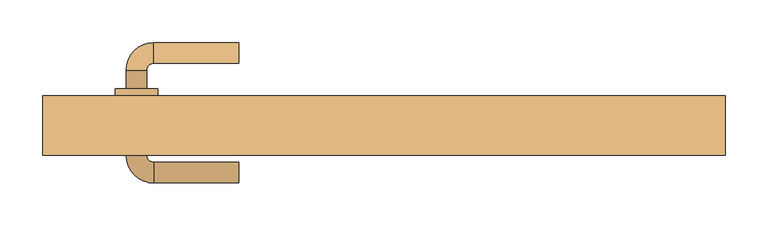
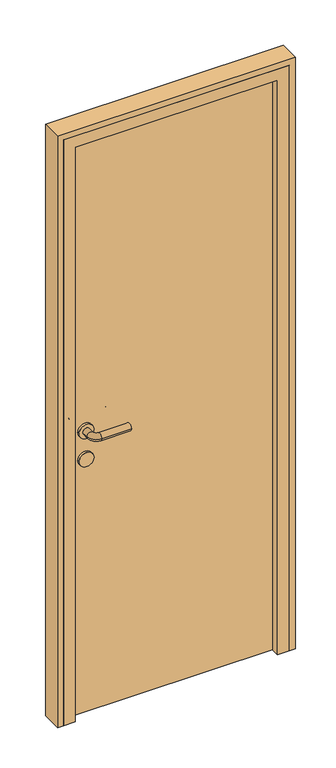
"""IFC4 building model written with IfcOpenShell, lengths in millimetres: door geometry."""

from ifc_helpers import new_model, si_unit, point, frame, frame_2d, origin, origin_with_axes, place, context, project, spatial, polyline, circle_curve, ellipse_curve, trimmed, segment, composite_curve, outline, extrude, faceted_brep, source, transform, mapped, element, save
from ifc_brep_helpers import plane_surface, cylinder_surface, revolved_surface, advanced_brep


def door_56626e30(model_context):
    return source(origin(), model_context, "Body", "SolidModel", [
        advanced_brep(
        [(-170.0, 187.0, 1000.0), (-170.0, 163.0, 1000.0), (-270.0, 187.0, 1000.0), (-270.0, 163.0, 1000.0), (-302.0, 155.0, 1000.0), (-278.0, 155.0, 1000.0), (-302.0, 133.0, 1000.0), (-278.0, 133.0, 1000.0), (-302.0, 55.0, 1000.0), (-278.0, 55.0, 1000.0), (-278.0, 77.0, 1000.0), (-302.0, 77.0, 1000.0), (-270.0, 23.0, 1000.0), (-270.0, 47.0, 1000.0), (-170.0, 23.0, 1000.0), (-170.0, 47.0, 1000.0), (-315.0, 133.0, 1000.0), (-265.0, 133.0, 1000.0), (-315.0, 77.0, 1000.0), (-265.0, 77.0, 1000.0)],
        [
            (0, 1, circle_curve(frame((-170.0, 175.0, 1000.0), z_axis=(1.0, 0.0, 0.0), x_axis=(0.0, -1.0, 0.0)), 12.0)),
            (1, 0, circle_curve(frame((-170.0, 175.0, 1000.0), z_axis=(1.0, 0.0, 0.0), x_axis=(0.0, -1.0, 0.0)), 12.0)),
            (0, 2),
            (2, 3, circle_curve(frame((-270.0, 175.0, 1000.0), z_axis=(1.0, 0.0, 0.0), x_axis=(0.0, -1.0, 0.0)), 12.0)),
            (3, 1),
            (3, 2, circle_curve(frame((-270.0, 175.0, 1000.0), z_axis=(1.0, 0.0, 0.0), x_axis=(0.0, -1.0, 0.0)), 12.0)),
            (2, 4, circle_curve(frame((-270.0, 155.0, 1000.0), z_axis=(0.0, 0.0, 1.0), x_axis=(0.0, 1.0, 0.0)), 32.0)),
            (4, 5, circle_curve(frame((-290.0, 155.0, 1000.0), z_axis=(0.0, 1.0, 0.0), x_axis=(1.0, 0.0, 0.0)), 12.0)),
            (5, 3, circle_curve(frame((-270.0, 155.0, 1000.0), z_axis=(0.0, 0.0, -1.0), x_axis=(0.0, 1.0, 0.0)), 8.0)),
            (5, 4, circle_curve(frame((-290.0, 155.0, 1000.0), z_axis=(0.0, 1.0, 0.0), x_axis=(1.0, 0.0, 0.0)), 12.0)),
            (4, 6),
            (6, 7, circle_curve(frame((-290.0, 133.0, 1000.0), z_axis=(0.0, 1.0, 0.0), x_axis=(1.0, 0.0, 0.0)), 12.0)),
            (7, 5),
            (8, 9, circle_curve(frame((-290.0, 55.0, 1000.0), z_axis=(0.0, 1.0, 0.0), x_axis=(1.0, 0.0, 0.0)), 12.0)),
            (9, 10),
            (10, 11, circle_curve(frame((-290.0, 77.0, 1000.0), z_axis=(0.0, -1.0, 0.0), x_axis=(1.0, 0.0, 0.0)), 12.0)),
            (11, 8),
            (7, 6, circle_curve(frame((-290.0, 133.0, 1000.0), z_axis=(0.0, 1.0, 0.0), x_axis=(1.0, 0.0, 0.0)), 12.0)),
            (9, 8, circle_curve(frame((-290.0, 55.0, 1000.0), z_axis=(0.0, 1.0, 0.0), x_axis=(1.0, 0.0, 0.0)), 12.0)),
            (11, 10, circle_curve(frame((-290.0, 77.0, 1000.0), z_axis=(0.0, -1.0, 0.0), x_axis=(1.0, 0.0, 0.0)), 12.0)),
            (8, 12, circle_curve(frame((-270.0, 55.0, 1000.0), z_axis=(0.0, 0.0, 1.0), x_axis=(-1.0, 0.0, 0.0)), 32.0)),
            (12, 13, circle_curve(frame((-270.0, 35.0, 1000.0), z_axis=(-1.0, 0.0, 0.0), x_axis=(0.0, 1.0, 0.0)), 12.0)),
            (13, 9, circle_curve(frame((-270.0, 55.0, 1000.0), z_axis=(0.0, 0.0, -1.0), x_axis=(-1.0, 0.0, 0.0)), 8.0)),
            (13, 12, circle_curve(frame((-270.0, 35.0, 1000.0), z_axis=(-1.0, 0.0, 0.0), x_axis=(0.0, 1.0, 0.0)), 12.0)),
            (14, 15, circle_curve(frame((-170.0, 35.0, 1000.0), z_axis=(1.0, 0.0, 0.0), x_axis=(0.0, 1.0, 0.0)), 12.0)),
            (15, 14, circle_curve(frame((-170.0, 35.0, 1000.0), z_axis=(1.0, 0.0, 0.0), x_axis=(0.0, 1.0, 0.0)), 12.0)),
            (12, 14),
            (15, 13),
            (16, 17, circle_curve(frame((-290.0, 133.0, 1000.0), z_axis=(0.0, 1.0, 0.0), x_axis=(1.0, 0.0, 0.0)), 25.0)),
            (17, 16, circle_curve(frame((-290.0, 133.0, 1000.0), z_axis=(0.0, 1.0, 0.0), x_axis=(1.0, 0.0, 0.0)), 25.0)),
            (18, 19, circle_curve(frame((-290.0, 77.0, 1000.0), z_axis=(0.0, -1.0, 0.0), x_axis=(1.0, 0.0, 0.0)), 25.0)),
            (19, 18, circle_curve(frame((-290.0, 77.0, 1000.0), z_axis=(0.0, -1.0, 0.0), x_axis=(1.0, 0.0, 0.0)), 25.0)),
            (17, 19),
            (18, 16),
        ],
        [
            plane_surface(frame((-170.0, 175.0, 1000.0), z_axis=(1.0, 0.0, 0.0), x_axis=(0.0, 0.0, 1.0))),
            cylinder_surface(frame((-170.0, 175.0, 1000.0), z_axis=(1.0, 0.0, 0.0), x_axis=(0.0, -1.0, 0.0)), 12.0),
            revolved_surface(trimmed(ellipse_curve(frame((-270.0, 175.0, 1000.0), z_axis=(1.0, 0.0, 0.0), x_axis=(0.0, -1.0, 0.0)), 12.0, 12.0), [point((-270.0, 187.0, 1000.0))], [point((-270.0, 163.0, 1000.0))], True, "CARTESIAN"), (-270.0, 155.0, 1000.0), (0.0, 0.0, 1.0)),
            revolved_surface(trimmed(ellipse_curve(frame((-270.0, 175.0, 1000.0), z_axis=(1.0, 0.0, 0.0), x_axis=(0.0, -1.0, 0.0)), 12.0, 12.0), [point((-270.0, 163.0, 1000.0))], [point((-270.0, 187.0, 1000.0))], True, "CARTESIAN"), (-270.0, 155.0, 1000.0), (0.0, 0.0, 1.0)),
            cylinder_surface(frame((-290.0, 155.0, 1000.0), z_axis=(0.0, 1.0, 0.0), x_axis=(1.0, 0.0, 0.0)), 12.0),
            revolved_surface(trimmed(ellipse_curve(frame((-290.0, 55.0, 1000.0), z_axis=(0.0, 1.0, 0.0), x_axis=(1.0, 0.0, 0.0)), 12.0, 12.0), [point((-302.0, 55.0, 1000.0))], [point((-278.0, 55.0, 1000.0))], True, "CARTESIAN"), (-270.0, 55.0, 1000.0), (0.0, 0.0, 1.0)),
            revolved_surface(trimmed(ellipse_curve(frame((-290.0, 55.0, 1000.0), z_axis=(0.0, 1.0, 0.0), x_axis=(1.0, 0.0, 0.0)), 12.0, 12.0), [point((-278.0, 55.0, 1000.0))], [point((-302.0, 55.0, 1000.0))], True, "CARTESIAN"), (-270.0, 55.0, 1000.0), (0.0, 0.0, 1.0)),
            plane_surface(frame((-170.0, 35.0, 1000.0), z_axis=(1.0, 0.0, 0.0), x_axis=(0.0, 0.0, 1.0))),
            cylinder_surface(frame((-270.0, 35.0, 1000.0), z_axis=(-1.0, 0.0, 0.0), x_axis=(0.0, 1.0, 0.0)), 12.0),
            plane_surface(frame((-265.0, 133.0, 1000.0), z_axis=(0.0, 1.0, 0.0), x_axis=(0.0, 0.0, -1.0))),
            plane_surface(frame((-265.0, 77.0, 1000.0), z_axis=(0.0, -1.0, 0.0), x_axis=(0.0, 0.0, 1.0))),
            cylinder_surface(frame((-290.0, 133.0, 1000.0), z_axis=(0.0, -1.0, 0.0), x_axis=(1.0, 0.0, 0.0)), 25.0),
        ],
        [
            (0, [[1, 2]]),
            (1, [[-1, 3, 4, 5]]),
            (1, [[-2, -5, 6, -3]]),
            (2, [[-4, 7, 8, 9]]),
            (3, [[-6, -9, 10, -7]]),
            (4, [[-8, 11, 12, 13]]),
            (4, [[14, 15, 16, 17]]),
            (4, [[-10, -13, 18, -11]]),
            (4, [[19, -17, 20, -15]]),
            (5, [[-14, 21, 22, 23]]),
            (6, [[-19, -23, 24, -21]]),
            (7, [[25, 26]]),
            (8, [[-22, 27, -26, 28]]),
            (8, [[-24, -28, -25, -27]]),
            (9, [[29, 30], [-12, -18]]),
            (10, [[31, 32], [-16, -20]]),
            (11, [[-30, 33, -31, 34]]),
            (11, [[-29, -34, -32, -33]]),
        ],
    ),
        extrude(outline(composite_curve([segment(trimmed(circle_curve(frame_2d((900.0, -290.0)), 25.0), [point((900.0, -315.0))], [point((900.0, -265.0))], False, "CARTESIAN"), True, "CONTINUOUS"), segment(trimmed(circle_curve(frame_2d((900.0, -290.0)), 25.0), [point((900.0, -265.0))], [point((900.0, -315.0))], False, "CARTESIAN"), True, "CONTINUOUS")], self_intersect=False)), frame((0.0, 77.0, 0.0), z_axis=(0.0, 1.0, 0.0), x_axis=(0.0, 0.0, 1.0)), (0.0, 0.0, 1.0), 56.0),
        extrude(outline(polyline([(350.0, 85.0), (-350.0, 85.0), (-350.0, 125.0), (350.0, 125.0), (350.0, 85.0)])), origin_with_axes(), (0.0, 0.0, 1.0), 2050.0),
        extrude(outline(polyline([(0.0, 400.0), (2100.0, 400.0), (2100.0, -400.0), (0.0, -400.0), (0.0, -380.0), (2080.0, -380.0), (2080.0, 380.0), (0.0, 380.0), (0.0, 400.0)])), frame((0.0, 55.0, 0.0), z_axis=(0.0, 1.0, 0.0), x_axis=(0.0, 0.0, 1.0)), (0.0, 0.0, 1.0), 70.0),
        faceted_brep([(-380.0, 55.0, 0.0), (-380.0, 125.0, 0.0), (-350.0, 125.0, 0.0), (-350.0, 85.0, 0.0), (-340.0, 85.0, 0.0), (-340.0, 55.0, 0.0), (-380.0, 55.0, 2080.0), (-380.0, 125.0, 2080.0), (380.0, 125.0, 2080.0), (380.0, 125.0, 0.0), (350.0, 125.0, 0.0), (350.0, 125.0, 2050.0), (-350.0, 125.0, 2050.0), (-350.0, 85.0, 2050.0), (350.0, 85.0, 2050.0), (350.0, 85.0, 0.0), (340.0, 85.0, 0.0), (340.0, 85.0, 2040.0), (-340.0, 85.0, 2040.0), (-340.0, 55.0, 2040.0), (340.0, 55.0, 2040.0), (340.0, 55.0, 0.0), (380.0, 55.0, 0.0), (380.0, 55.0, 2080.0)], [[[0, 1, 2, 3, 4, 5]], [[1, 0, 6, 7]], [[2, 1, 7, 8, 9, 10, 11, 12]], [[3, 2, 12, 13]], [[4, 3, 13, 14, 15, 16, 17, 18]], [[5, 4, 18, 19]], [[0, 5, 19, 20, 21, 22, 23, 6]], [[7, 6, 23, 8]], [[13, 12, 11, 14]], [[19, 18, 17, 20]], [[22, 21, 16, 15, 10, 9]], [[8, 23, 22, 9]], [[14, 11, 10, 15]], [[20, 17, 16, 21]]]),
    ])


if __name__ == "__main__":
    model = new_model("IFC4")
    model_context = context("Model", 3, world=origin())
    ifc_project = project(units=[si_unit("LENGTHUNIT", "METRE", prefix="MILLI")], contexts=[model_context])
    site = spatial("IfcSite", under=ifc_project)
    building = spatial("IfcBuilding", under=site)
    placement = place(None, origin())
    door_shape = door_56626e30(model_context)
    element("IfcDoor", 1, at=placement, inside=building, context=model_context, shape_type="MappedRepresentation", body=[
        mapped(door_shape, transform((0.0, 0.0, 0.0), x_axis=(1.0, 0.0, 0.0), y_axis=(0.0, 1.0, 0.0), z_axis=(0.0, 0.0, 1.0))),
    ])
    save(model, "model.ifc")
